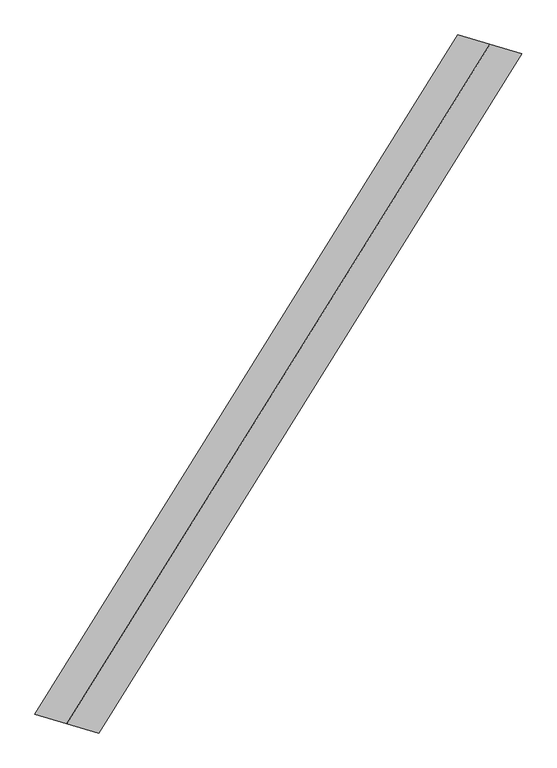
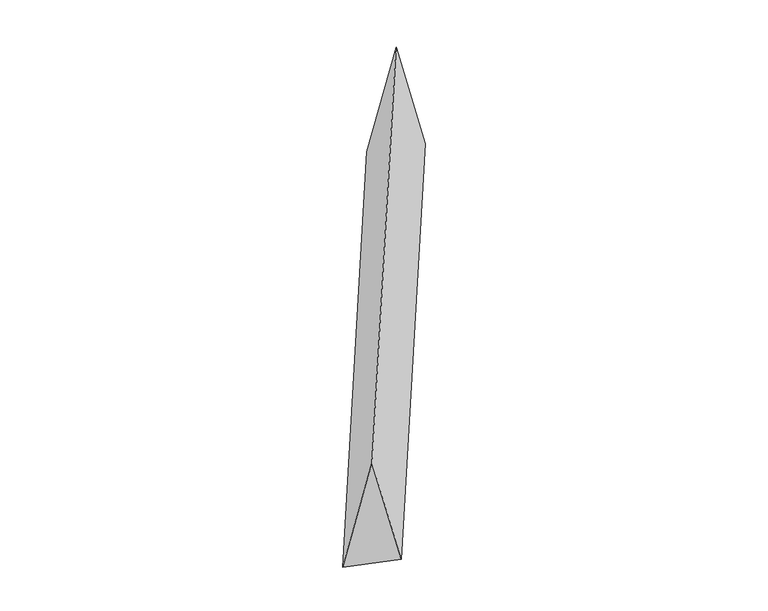
"""IFC4 building model written with IfcOpenShell, lengths in millimetres: proxy geometry."""

import ifcopenshell
import ifcopenshell.guid

model = None  # the IFC model being written
_history = None  # IfcOwnerHistory: only IFC2X3 demands one
_inside = {}  # id of a spatial element -> (the spatial element, [elements in it])
_under = {}  # id of a project, library or spatial element -> (it, [spatial elements below it])
_declared = {}  # id of a project -> (the project, [libraries it declares])
_typed = {}  # id of a type object -> (the type object, [elements of that type])
_made_of = {}  # id of a material, layer set ... -> (it, [elements and type objects made of it])


def new_model(schema):
    """Start an empty IFC model of exactly this schema.

    Asked for "IFC4X3", IfcOpenShell would pick the latest addendum, in which some entities
    have other attributes; the version numbers below select the first issue.
    IFC2X3 requires an IfcOwnerHistory on every rooted entity: one is made here for all.
    """
    global model, _history
    if schema == "IFC4X3":
        model = ifcopenshell.file(schema_version=(4, 3, 0, 0))
    else:
        model = ifcopenshell.file(schema=schema)
    _inside.clear()
    _under.clear()
    _declared.clear()
    _typed.clear()
    _made_of.clear()
    _history = None
    if model.schema == "IFC2X3":
        org = make("IfcOrganization", Name="unknown")
        user = make(
            "IfcPersonAndOrganization",
            ThePerson=make("IfcPerson", FamilyName="unknown"),
            TheOrganization=org,
        )
        app = make(
            "IfcApplication",
            ApplicationDeveloper=org,
            Version="unknown",
            ApplicationFullName="unknown",
            ApplicationIdentifier="unknown",
        )
        _history = make(
            "IfcOwnerHistory",
            OwningUser=user,
            OwningApplication=app,
            ChangeAction="ADDED",
            CreationDate=0,
        )
    return model


def make(cls, **values):
    """One entity of the class cls with the attributes given. An attribute that is None is left unset."""
    return model.create_entity(
        cls, **{name: value for name, value in values.items() if value is not None}
    )


def rooted(cls, **values):
    """An entity with a GlobalId (a new one), such as an element, a storey or a relation."""
    return make(cls, GlobalId=ifcopenshell.guid.new(), OwnerHistory=_history, **values)


def si_unit(unit_type, name, prefix=None):
    """IfcSIUnit, for example si_unit("LENGTHUNIT", "METRE", prefix="MILLI")."""
    return make("IfcSIUnit", UnitType=unit_type, Prefix=prefix, Name=name)


def assignment(units):
    """IfcUnitAssignment: the units of a project."""
    return None if units is None else make("IfcUnitAssignment", Units=units)


def point(xyz):
    """IfcCartesianPoint."""
    return None if xyz is None else make("IfcCartesianPoint", Coordinates=xyz)


def direction(xyz):
    """IfcDirection."""
    return None if xyz is None else make("IfcDirection", DirectionRatios=xyz)


def frame(location, z_axis=None, x_axis=None):
    """IfcAxis2Placement3D, a coordinate frame: its origin and axes. An axis left out is left unset."""
    return make(
        "IfcAxis2Placement3D",
        Location=point(location),
        Axis=direction(z_axis),
        RefDirection=direction(x_axis),
    )


def origin():
    """The frame at (0, 0, 0) with its axes left unset."""
    return frame((0.0, 0.0, 0.0))


def place(relative_to, where):
    """IfcLocalPlacement: puts the frame where relative to a parent placement (None: the world)."""
    return make(
        "IfcLocalPlacement", PlacementRelTo=relative_to, RelativePlacement=where
    )


def context(
    kind, dimensions, precision=None, world=None, true_north=None, identifier=None
):
    """IfcGeometricRepresentationContext, for example the 3D "Model" context."""
    return make(
        "IfcGeometricRepresentationContext",
        ContextIdentifier=identifier,
        ContextType=kind,
        CoordinateSpaceDimension=dimensions,
        Precision=precision,
        WorldCoordinateSystem=world,
        TrueNorth=true_north,
    )


def project(units=None, contexts=None):
    """IfcProject with its units and contexts."""
    return rooted(
        "IfcProject",
        Name="project",
        RepresentationContexts=contexts,
        UnitsInContext=assignment(units),
    )


def spatial(cls, under=None, at=None, **own):
    """A site, building, storey or space (cls), placed at a placement, below another one or the project."""
    s = rooted(cls, ObjectPlacement=at, **own)
    if under is not None:
        _under.setdefault(under.id(), (under, []))[1].append(s)
    return s


def faces_of(points, faces, orient=None, outer=None):
    """IfcFace entities. A face is a list of loops; a loop is a list of indices into points, from 0.

    orient and outer hold one flag for each loop. By default every Orientation is true, the
    first loop of a face is its IfcFaceOuterBound and the others are IfcFaceBound.
    """
    made = []
    for i, loops in enumerate(faces):
        bounds = []
        for j, loop in enumerate(loops):
            is_outer = j == 0 if outer is None else outer[i][j]
            bounds.append(
                make(
                    "IfcFaceOuterBound" if is_outer else "IfcFaceBound",
                    Bound=make("IfcPolyLoop", Polygon=[points[k] for k in loop]),
                    Orientation=True if orient is None else orient[i][j],
                )
            )
        made.append(make("IfcFace", Bounds=bounds))
    return made


def faceted_brep(points, faces, orient=None, outer=None, voids=None):
    """IfcFacetedBrep: a solid bounded by flat faces; with voids (closed shells), ...WithVoids."""
    shared = [point(p) for p in points]
    hull = make("IfcClosedShell", CfsFaces=faces_of(shared, faces, orient, outer))
    if voids is None:
        return make("IfcFacetedBrep", Outer=hull)
    return make(
        "IfcFacetedBrepWithVoids",
        Outer=hull,
        Voids=[
            make(cls, CfsFaces=faces_of(shared, fs, o, b)) for cls, fs, o, b in voids
        ],
    )


def shape(context_of_items, identifier, shape_type, items):
    """IfcShapeRepresentation: the items that make up one representation, for example the "Body"."""
    return make(
        "IfcShapeRepresentation",
        ContextOfItems=context_of_items,
        RepresentationIdentifier=identifier,
        RepresentationType=shape_type,
        Items=items,
    )


def source(mapping_origin, context_of_items, identifier, shape_type, items):
    """IfcRepresentationMap: a shape defined once, which mapped items show again and again."""
    return make(
        "IfcRepresentationMap",
        MappingOrigin=mapping_origin,
        MappedRepresentation=shape(context_of_items, identifier, shape_type, items),
    )


def transform(
    local_origin,
    x_axis=None,
    y_axis=None,
    z_axis=None,
    scale=None,
    scale2=None,
    scale3=None,
    uniform=True,
):
    """IfcCartesianTransformationOperator3D, or its non-uniform kind. x_axis, y_axis, z_axis: its Axis1, 2, 3."""
    if uniform:
        return make(
            "IfcCartesianTransformationOperator3D",
            Axis1=direction(x_axis),
            Axis2=direction(y_axis),
            LocalOrigin=point(local_origin),
            Scale=scale,
            Axis3=direction(z_axis),
        )
    return make(
        "IfcCartesianTransformationOperator3DnonUniform",
        Axis1=direction(x_axis),
        Axis2=direction(y_axis),
        LocalOrigin=point(local_origin),
        Scale=scale,
        Axis3=direction(z_axis),
        Scale2=scale2,
        Scale3=scale3,
    )


def mapped(mapping_source, mapping_target):
    """IfcMappedItem: shows the shape of a source again, moved by a transform."""
    return make(
        "IfcMappedItem", MappingSource=mapping_source, MappingTarget=mapping_target
    )


def made_of(thing, what):
    """Note that an element or type object is made of a material, layer set ...; save() writes the relation."""
    if what is not None:
        _made_of.setdefault(what.id(), (what, []))[1].append(thing)
    return thing


def element(
    cls,
    number,
    at=None,
    inside=None,
    cuts=None,
    type_object=None,
    material=None,
    context=None,
    identifier="Body",
    shape_type=None,
    held_by="IfcProductDefinitionShape",
    body=None,
    shapes=None,
    **own,
):
    """One element of the class cls, such as IfcWall. Its Tag is "e" and its number.

    at: its placement. inside: the storey or other place that contains it. cuts: it is an
    opening in that element (IfcRelVoidsElement). A single representation is given by context,
    identifier, shape_type and body (its items); several are given by shapes. held_by: the class
    of the entity that holds the representations. save() writes the other relations.
    """
    e = rooted(cls, Tag="e%d" % number, ObjectPlacement=at, **own)
    if body is not None:
        shapes = [shape(context, identifier, shape_type, body)]
    if shapes is not None:
        e.Representation = make(held_by, Representations=shapes)
    if inside is not None:
        _inside.setdefault(inside.id(), (inside, []))[1].append(e)
    if cuts is not None:
        rooted(
            "IfcRelVoidsElement", RelatingBuildingElement=cuts, RelatedOpeningElement=e
        )
    if type_object is not None:
        _typed.setdefault(type_object.id(), (type_object, []))[1].append(e)
    return made_of(e, material)


def aggregate(whole, parts):
    """IfcRelAggregates: a whole, such as a stair, and the parts it consists of."""
    return rooted("IfcRelAggregates", RelatingObject=whole, RelatedObjects=parts)


def save(model, path):
    """Write the relations noted so far, then the file.

    IfcRelAggregates (storeys below a building ...), IfcRelContainedInSpatialStructure (elements
    in a storey), IfcRelDefinesByType, IfcRelAssociatesMaterial and IfcRelDeclares: one each for
    every whole, place, type object, material and project.
    """
    for whole, parts in _under.values():
        aggregate(whole, parts)
    for where, things in _inside.values():
        rooted(
            "IfcRelContainedInSpatialStructure",
            RelatedElements=things,
            RelatingStructure=where,
        )
    for kind, things in _typed.values():
        rooted("IfcRelDefinesByType", RelatedObjects=things, RelatingType=kind)
    for what, things in _made_of.values():
        rooted("IfcRelAssociatesMaterial", RelatedObjects=things, RelatingMaterial=what)
    for by, libraries in _declared.values():
        rooted("IfcRelDeclares", RelatingContext=by, RelatedDefinitions=libraries)
    model.write(path)


def generic_models_b6e549ca(model_context):
    return source(origin(), model_context, "Body", "Brep", [
        faceted_brep([(-1096.8184592, -1761.5079416, 700.0), (-931.1613992, -1810.4206111, 0.0), (1262.4755191, 1712.5952721, 0.0), (1096.8184592, 1761.5079416, 700.0), (-1262.4755191, -1712.5952721, 0.0), (931.1613992, 1810.4206111, 0.0)], [[[0, 1, 2, 3]], [[1, 4, 5, 2]], [[4, 0, 3, 5]], [[3, 2, 5]], [[0, 4, 1]]]),
    ])


if __name__ == "__main__":
    model = new_model("IFC4")
    model_context = context("Model", 3, world=origin())
    ifc_project = project(units=[si_unit("LENGTHUNIT", "METRE", prefix="MILLI")], contexts=[model_context])
    site = spatial("IfcSite", under=ifc_project)
    building = spatial("IfcBuilding", under=site)
    placement = place(None, origin())
    generic_models_shape = generic_models_b6e549ca(model_context)
    element("IfcBuildingElementProxy", 1, Name="Generic Models", at=placement, inside=building, context=model_context, shape_type="MappedRepresentation", body=[
        mapped(generic_models_shape, transform((0.0, 0.0, 0.0), x_axis=(1.0, 0.0, 0.0), y_axis=(0.0, 1.0, 0.0), z_axis=(0.0, 0.0, 1.0))),
    ])
    save(model, "model.ifc")
